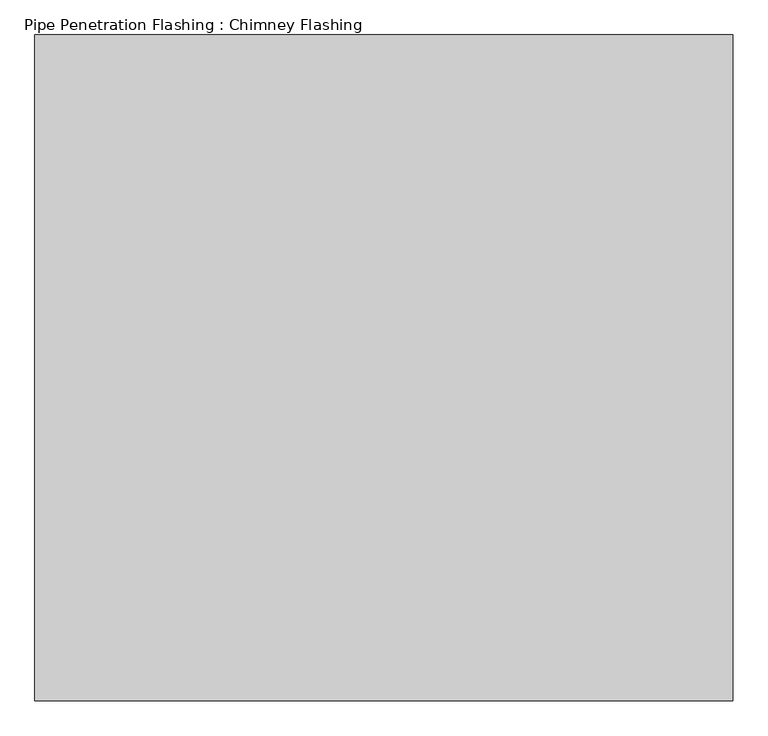
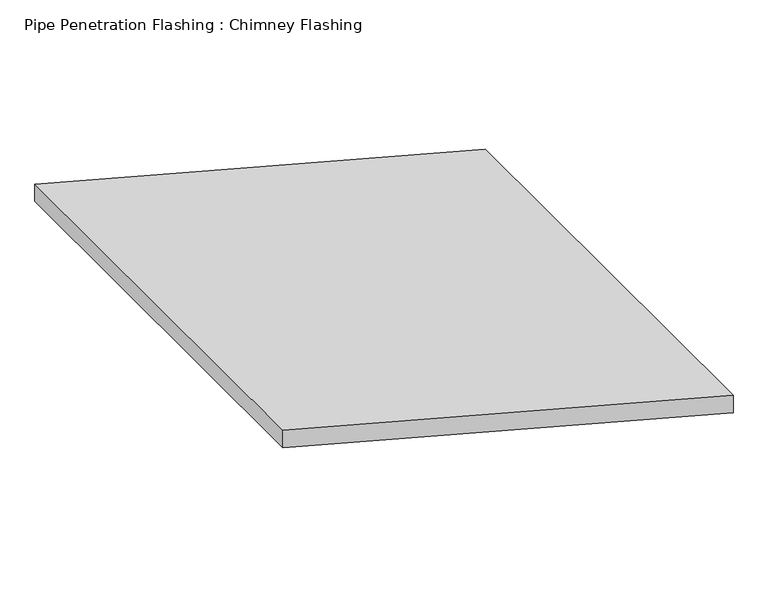
"""IFC4 building model written with IfcOpenShell, lengths in millimetres: proxy geometry, Pipe Penetration Flashing : Chimney Flashing."""

from ifc_helpers import new_model, si_unit, frame, origin, place, context, project, spatial, polyline, outline, extrude, source, transform, mapped, element, save


def pipe_penetration_flashing_chimney_flashing_1e78b5f0(model_context):
    return source(origin(), model_context, "Body", "SweptSolid", [
        extrude(outline(polyline([(5895.175764, 4769.678133), (5941.7631921, 4769.678133), (6247.9654108, 3626.9158954), (6201.3779827, 3626.9158954), (5895.175764, 4769.678133)])), frame((0.0, 3324.7968736, 0.0), z_axis=(0.0, 1.0, 0.0), x_axis=(0.0, 0.0, 1.0)), (0.0, 0.0, 1.0), 1090.0),
    ])


if __name__ == "__main__":
    model = new_model("IFC4")
    model_context = context("Model", 3, world=origin())
    ifc_project = project(units=[si_unit("LENGTHUNIT", "METRE", prefix="MILLI")], contexts=[model_context])
    site = spatial("IfcSite", under=ifc_project)
    building = spatial("IfcBuilding", under=site)
    placement = place(None, origin())
    pipe_penetration_flashing_chimney_flashing_shape = pipe_penetration_flashing_chimney_flashing_1e78b5f0(model_context)
    element("IfcBuildingElementProxy", 1, Name="Pipe Penetration Flashing : Chimney Flashing", ObjectType="Pipe Penetration Flashing : Chimney Flashing", at=placement, inside=building, context=model_context, shape_type="MappedRepresentation", body=[
        mapped(pipe_penetration_flashing_chimney_flashing_shape, transform((0.0, 0.0, 0.0), x_axis=(1.0, 0.0, 0.0), y_axis=(0.0, 1.0, 0.0), z_axis=(0.0, 0.0, 1.0))),
    ])
    save(model, "model.ifc")
